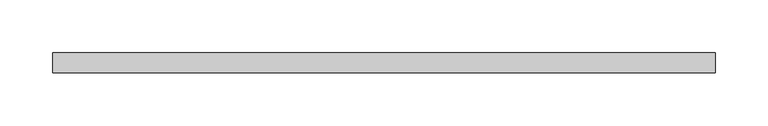
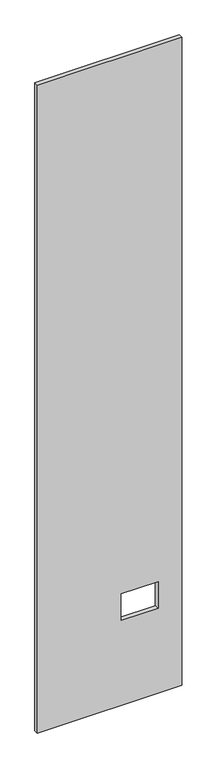
"""IFC4 building model written with IfcOpenShell, lengths in millimetres: proxy geometry."""

from ifc_helpers import new_model, si_unit, frame, origin, place, context, project, spatial, polyline, outline, extrude, source, transform, mapped, element, save


def specialty_equipment_e8a3d6d2(model_context):
    return source(origin(), model_context, "Body", "SweptSolid", [
        extrude(outline(polyline([(2999.5368001, 315.6204), (2999.5368001, -315.6204), (3.175, -315.6204), (3.175, 315.6204), (2999.5368001, 315.6204)]), holes=[polyline([(518.9474, 211.8868), (395.4526, 211.8868), (395.4526, 51.3588), (518.9474, 51.3588), (518.9474, 211.8868)])]), frame((0.0, -9.525, 0.0), z_axis=(0.0, 1.0, 0.0), x_axis=(0.0, 0.0, 1.0)), (0.0, 0.0, 1.0), 19.05),
    ])


if __name__ == "__main__":
    model = new_model("IFC4")
    model_context = context("Model", 3, world=origin())
    ifc_project = project(units=[si_unit("LENGTHUNIT", "METRE", prefix="MILLI")], contexts=[model_context])
    site = spatial("IfcSite", under=ifc_project)
    building = spatial("IfcBuilding", under=site)
    placement = place(None, origin())
    specialty_equipment_shape = specialty_equipment_e8a3d6d2(model_context)
    element("IfcBuildingElementProxy", 1, Name="Specialty Equipment", at=placement, inside=building, context=model_context, shape_type="MappedRepresentation", body=[
        mapped(specialty_equipment_shape, transform((0.0, 0.0, 0.0), x_axis=(1.0, 0.0, 0.0), y_axis=(0.0, 1.0, 0.0), z_axis=(0.0, 0.0, 1.0))),
    ])
    save(model, "model.ifc")
